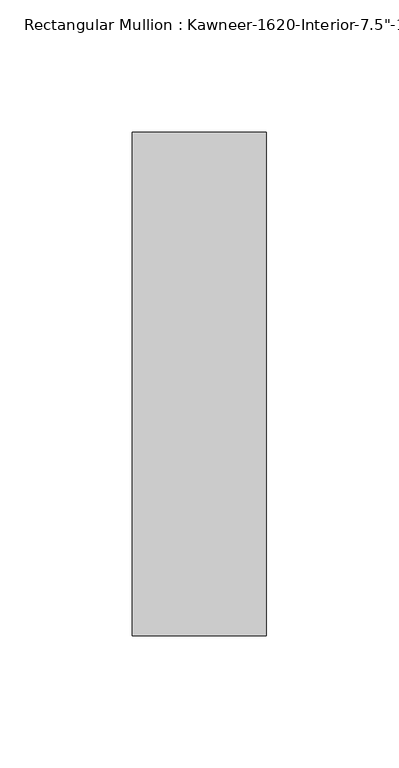
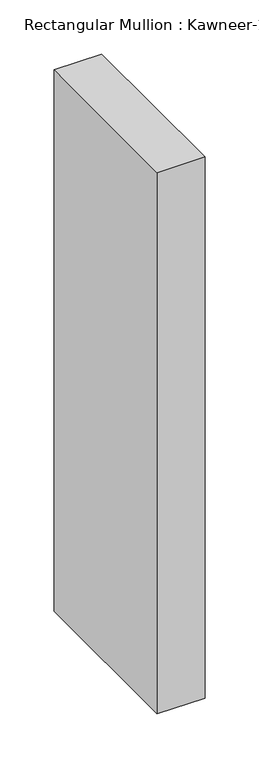
"""IFC4 building model written with IfcOpenShell, lengths in millimetres: member geometry."""

from ifc_helpers import new_model, si_unit, frame, origin, place, context, project, spatial, polyline, outline, extrude, source, transform, mapped, element, save


def member_7bf09156(model_context):
    return source(origin(), model_context, "Body", "SweptSolid", [
        extrude(outline(polyline([(25.4, -152.4), (-25.4, -152.4), (-25.4, 38.1), (25.4, 38.1), (25.4, -152.4)])), frame((0.0, 0.0, -609.6), z_axis=(0.0, 0.0, 1.0), x_axis=(1.0, 0.0, 0.0)), (0.0, 0.0, 1.0), 609.6),
    ])


if __name__ == "__main__":
    model = new_model("IFC4")
    model_context = context("Model", 3, world=origin())
    ifc_project = project(units=[si_unit("LENGTHUNIT", "METRE", prefix="MILLI")], contexts=[model_context])
    site = spatial("IfcSite", under=ifc_project)
    building = spatial("IfcBuilding", under=site)
    placement = place(None, origin())
    member_shape = member_7bf09156(model_context)
    element("IfcMember", 1, ObjectType="Rectangular Mullion : Kawneer-1620-Interior-7.5\"-1\"Infill", at=placement, inside=building, context=model_context, shape_type="MappedRepresentation", body=[
        mapped(member_shape, transform((0.0, 0.0, 0.0), x_axis=(1.0, 0.0, 0.0), y_axis=(0.0, 1.0, 0.0), z_axis=(0.0, 0.0, 1.0))),
    ])
    save(model, "model.ifc")
